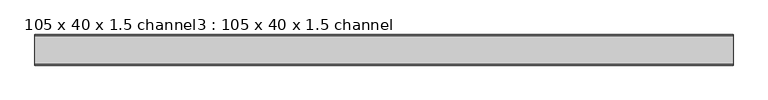
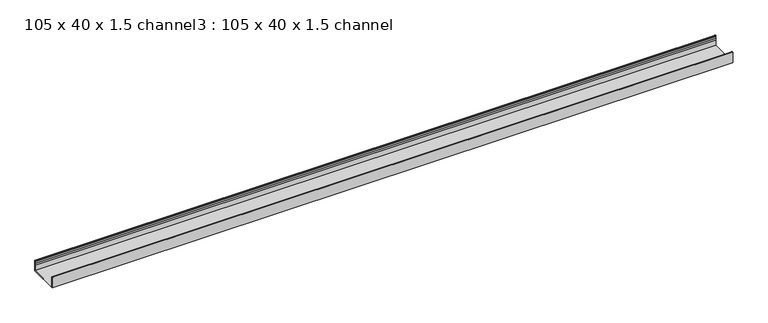
"""IFC4 building model written with IfcOpenShell, lengths in millimetres: proxy geometry, 105 x 40 x 1.5 channel3 : 105 x 40 x 1.5 channel."""

from ifc_helpers import new_model, si_unit, point, frame, frame_2d, origin, place, context, project, spatial, polyline, circle_curve, trimmed, segment, composite_curve, outline, extrude, source, transform, mapped, element, save


def proxy_105_x_40_x_1_5_channel3_105_x_40_x_1_5_channel_61834ecc(model_context):
    return source(origin(), model_context, "Body", "SweptSolid", [
        extrude(outline(composite_curve([segment(trimmed(circle_curve(frame_2d((834.0503008, 32.0)), 10.0), [point((843.6256088, 29.1166898))], [point((843.6256088, 34.8833102))], True, "CARTESIAN"), True, "CONTINUOUS"), segment(polyline([(843.6256088, 34.8833102), (843.0503008, 38.8)]), True, "CONTINUOUS"), segment(trimmed(circle_curve(frame_2d((844.2503008, 38.8)), 1.2), [point((843.0503008, 38.8))], [point((845.4503008, 38.8))], False, "CARTESIAN"), True, "CONTINUOUS"), segment(polyline([(845.4503008, 38.8), (845.4503008, 0.0), (740.1503008, 0.0), (740.1503008, 38.8)]), True, "CONTINUOUS"), segment(trimmed(circle_curve(frame_2d((741.3503008, 38.8)), 1.2), [point((740.1503008, 38.8))], [point((742.5503008, 38.8))], False, "CARTESIAN"), True, "CONTINUOUS"), segment(polyline([(742.5503008, 38.8), (741.9749929, 34.8833102)]), True, "CONTINUOUS"), segment(trimmed(circle_curve(frame_2d((751.5503008, 32.0)), 10.0), [point((741.9749929, 34.8833102))], [point((741.9749929, 29.1166898))], True, "CARTESIAN"), True, "CONTINUOUS"), segment(trimmed(circle_curve(frame_2d((732.5503008, 25.77376)), 10.0), [point((741.9749929, 29.1166898))], [point((741.5503008, 21.4148611))], False, "CARTESIAN"), True, "CONTINUOUS"), segment(polyline([(741.5503008, 21.4148611), (741.5503008, 1.4), (844.0503008, 1.4), (844.0503008, 21.4148611)]), True, "CONTINUOUS"), segment(trimmed(circle_curve(frame_2d((853.0503008, 25.77376)), 10.0), [point((844.0503008, 21.4148611))], [point((843.6256088, 29.1166898))], False, "CARTESIAN"), True, "CONTINUOUS")], self_intersect=False)), frame((-5295.3690716, 0.0, 0.0), z_axis=(1.0, 0.0, 0.0), x_axis=(0.0, 1.0, 0.0)), (0.0, 0.0, 1.0), 2400.0),
    ])


if __name__ == "__main__":
    model = new_model("IFC4")
    model_context = context("Model", 3, world=origin())
    ifc_project = project(units=[si_unit("LENGTHUNIT", "METRE", prefix="MILLI")], contexts=[model_context])
    site = spatial("IfcSite", under=ifc_project)
    building = spatial("IfcBuilding", under=site)
    placement = place(None, origin())
    proxy_105_x_40_x_1_5_channel3_105_x_40_x_1_5_channel_shape = proxy_105_x_40_x_1_5_channel3_105_x_40_x_1_5_channel_61834ecc(model_context)
    element("IfcBuildingElementProxy", 1, Name="105 x 40 x 1.5 channel3 : 105 x 40 x 1.5 channel", ObjectType="105 x 40 x 1.5 channel3 : 105 x 40 x 1.5 channel", at=placement, inside=building, context=model_context, shape_type="MappedRepresentation", body=[
        mapped(proxy_105_x_40_x_1_5_channel3_105_x_40_x_1_5_channel_shape, transform((0.0, 0.0, 0.0), x_axis=(1.0, 0.0, 0.0), y_axis=(0.0, 1.0, 0.0), z_axis=(0.0, 0.0, 1.0))),
    ])
    save(model, "model.ifc")
